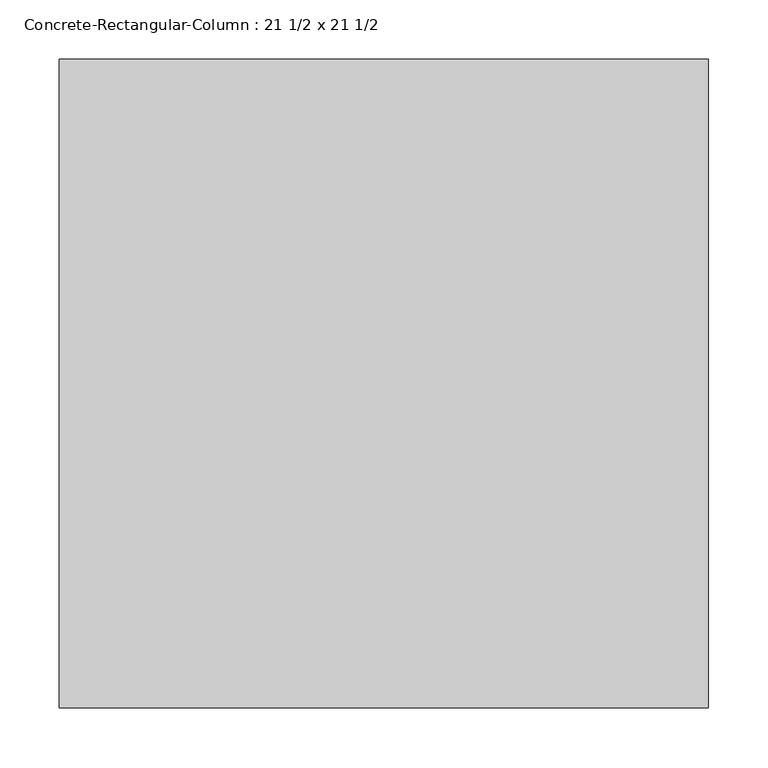
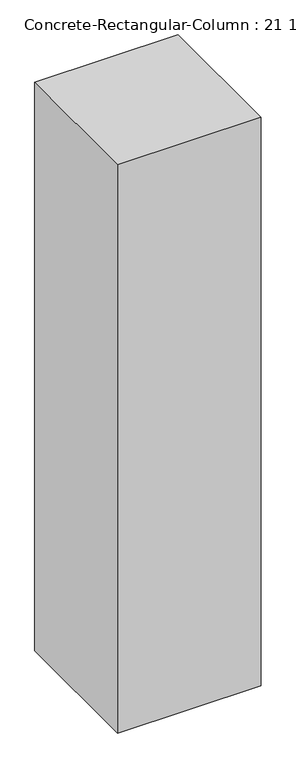
"""IFC4 building model written with IfcOpenShell, lengths in millimetres: column geometry, Concrete-Rectangular-Column : 21 1/2 x 21 1/2."""

from ifc_helpers import new_model, si_unit, frame, origin, place, context, project, spatial, polyline, outline, extrude, source, transform, mapped, element, save


def concrete_rectangular_column_21_1_2_x_21_1_2_8c18e232(model_context):
    return source(origin(), model_context, "Body", "SweptSolid", [
        extrude(outline(polyline([(273.05, -273.05), (-273.05, -273.05), (-273.05, 273.05), (273.05, 273.05), (273.05, -273.05)])), frame((0.0, 0.0, 3810.0), z_axis=(0.0, 0.0, 1.0), x_axis=(1.0, 0.0, 0.0)), (0.0, 0.0, 1.0), 2286.0),
    ])


if __name__ == "__main__":
    model = new_model("IFC4")
    model_context = context("Model", 3, world=origin())
    ifc_project = project(units=[si_unit("LENGTHUNIT", "METRE", prefix="MILLI")], contexts=[model_context])
    site = spatial("IfcSite", under=ifc_project)
    building = spatial("IfcBuilding", under=site)
    placement = place(None, origin())
    concrete_rectangular_column_21_1_2_x_21_1_2_shape = concrete_rectangular_column_21_1_2_x_21_1_2_8c18e232(model_context)
    element("IfcColumn", 1, ObjectType="Concrete-Rectangular-Column : 21 1/2 x 21 1/2", at=placement, inside=building, context=model_context, shape_type="MappedRepresentation", body=[
        mapped(concrete_rectangular_column_21_1_2_x_21_1_2_shape, transform((0.0, 0.0, 0.0), x_axis=(1.0, 0.0, 0.0), y_axis=(0.0, 1.0, 0.0), z_axis=(0.0, 0.0, 1.0))),
    ])
    save(model, "model.ifc")
